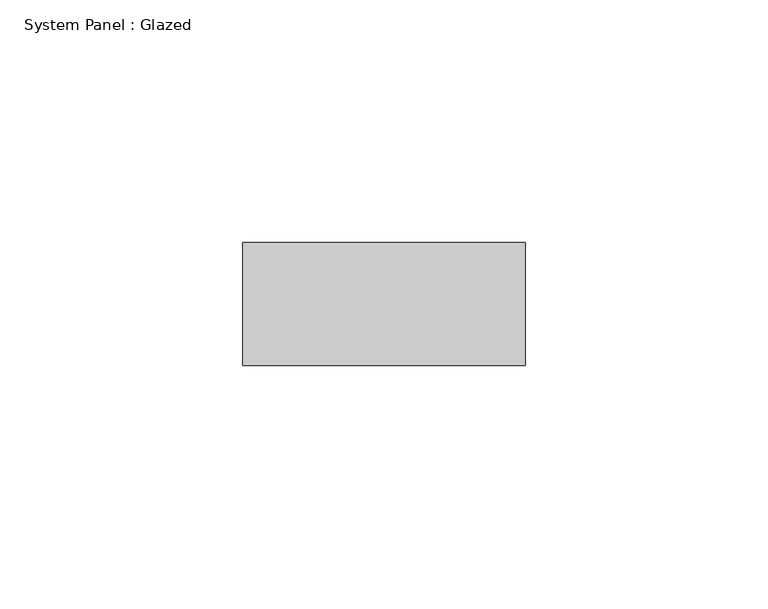
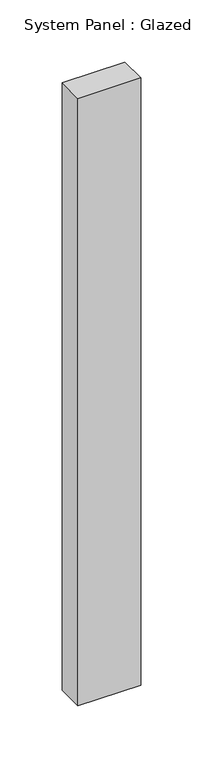
"""IFC4 building model written with IfcOpenShell, lengths in millimetres: plate geometry, System Panel : Glazed."""

import ifcopenshell
import ifcopenshell.guid

model = None  # the IFC model being written
_history = None  # IfcOwnerHistory: only IFC2X3 demands one
_inside = {}  # id of a spatial element -> (the spatial element, [elements in it])
_under = {}  # id of a project, library or spatial element -> (it, [spatial elements below it])
_declared = {}  # id of a project -> (the project, [libraries it declares])
_typed = {}  # id of a type object -> (the type object, [elements of that type])
_made_of = {}  # id of a material, layer set ... -> (it, [elements and type objects made of it])


def new_model(schema):
    """Start an empty IFC model of exactly this schema.

    Asked for "IFC4X3", IfcOpenShell would pick the latest addendum, in which some entities
    have other attributes; the version numbers below select the first issue.
    IFC2X3 requires an IfcOwnerHistory on every rooted entity: one is made here for all.
    """
    global model, _history
    if schema == "IFC4X3":
        model = ifcopenshell.file(schema_version=(4, 3, 0, 0))
    else:
        model = ifcopenshell.file(schema=schema)
    _inside.clear()
    _under.clear()
    _declared.clear()
    _typed.clear()
    _made_of.clear()
    _history = None
    if model.schema == "IFC2X3":
        org = make("IfcOrganization", Name="unknown")
        user = make(
            "IfcPersonAndOrganization",
            ThePerson=make("IfcPerson", FamilyName="unknown"),
            TheOrganization=org,
        )
        app = make(
            "IfcApplication",
            ApplicationDeveloper=org,
            Version="unknown",
            ApplicationFullName="unknown",
            ApplicationIdentifier="unknown",
        )
        _history = make(
            "IfcOwnerHistory",
            OwningUser=user,
            OwningApplication=app,
            ChangeAction="ADDED",
            CreationDate=0,
        )
    return model


def make(cls, **values):
    """One entity of the class cls with the attributes given. An attribute that is None is left unset."""
    return model.create_entity(
        cls, **{name: value for name, value in values.items() if value is not None}
    )


def rooted(cls, **values):
    """An entity with a GlobalId (a new one), such as an element, a storey or a relation."""
    return make(cls, GlobalId=ifcopenshell.guid.new(), OwnerHistory=_history, **values)


def si_unit(unit_type, name, prefix=None):
    """IfcSIUnit, for example si_unit("LENGTHUNIT", "METRE", prefix="MILLI")."""
    return make("IfcSIUnit", UnitType=unit_type, Prefix=prefix, Name=name)


def assignment(units):
    """IfcUnitAssignment: the units of a project."""
    return None if units is None else make("IfcUnitAssignment", Units=units)


def point(xyz):
    """IfcCartesianPoint."""
    return None if xyz is None else make("IfcCartesianPoint", Coordinates=xyz)


def direction(xyz):
    """IfcDirection."""
    return None if xyz is None else make("IfcDirection", DirectionRatios=xyz)


def frame(location, z_axis=None, x_axis=None):
    """IfcAxis2Placement3D, a coordinate frame: its origin and axes. An axis left out is left unset."""
    return make(
        "IfcAxis2Placement3D",
        Location=point(location),
        Axis=direction(z_axis),
        RefDirection=direction(x_axis),
    )


def origin():
    """The frame at (0, 0, 0) with its axes left unset."""
    return frame((0.0, 0.0, 0.0))


def origin_with_axes():
    """The frame at (0, 0, 0) with the z axis (0, 0, 1) and the x axis (1, 0, 0) written out."""
    return frame((0.0, 0.0, 0.0), z_axis=(0.0, 0.0, 1.0), x_axis=(1.0, 0.0, 0.0))


def place(relative_to, where):
    """IfcLocalPlacement: puts the frame where relative to a parent placement (None: the world)."""
    return make(
        "IfcLocalPlacement", PlacementRelTo=relative_to, RelativePlacement=where
    )


def context(
    kind, dimensions, precision=None, world=None, true_north=None, identifier=None
):
    """IfcGeometricRepresentationContext, for example the 3D "Model" context."""
    return make(
        "IfcGeometricRepresentationContext",
        ContextIdentifier=identifier,
        ContextType=kind,
        CoordinateSpaceDimension=dimensions,
        Precision=precision,
        WorldCoordinateSystem=world,
        TrueNorth=true_north,
    )


def project(units=None, contexts=None):
    """IfcProject with its units and contexts."""
    return rooted(
        "IfcProject",
        Name="project",
        RepresentationContexts=contexts,
        UnitsInContext=assignment(units),
    )


def spatial(cls, under=None, at=None, **own):
    """A site, building, storey or space (cls), placed at a placement, below another one or the project."""
    s = rooted(cls, ObjectPlacement=at, **own)
    if under is not None:
        _under.setdefault(under.id(), (under, []))[1].append(s)
    return s


def polyline(points):
    """IfcPolyline through the points."""
    return make("IfcPolyline", Points=[point(p) for p in points])


def outline(outer, holes=None, kind="AREA"):
    """IfcArbitraryClosedProfileDef: a profile drawn as a closed curve; with holes, ...WithVoids."""
    if holes is None:
        return make("IfcArbitraryClosedProfileDef", ProfileType=kind, OuterCurve=outer)
    return make(
        "IfcArbitraryProfileDefWithVoids",
        ProfileType=kind,
        OuterCurve=outer,
        InnerCurves=holes,
    )


def extrude(swept, where, along, depth):
    """IfcExtrudedAreaSolid: the profile swept, set in the frame where, extruded along a direction by depth."""
    return make(
        "IfcExtrudedAreaSolid",
        SweptArea=swept,
        Position=where,
        ExtrudedDirection=direction(along),
        Depth=depth,
    )


def shape(context_of_items, identifier, shape_type, items):
    """IfcShapeRepresentation: the items that make up one representation, for example the "Body"."""
    return make(
        "IfcShapeRepresentation",
        ContextOfItems=context_of_items,
        RepresentationIdentifier=identifier,
        RepresentationType=shape_type,
        Items=items,
    )


def source(mapping_origin, context_of_items, identifier, shape_type, items):
    """IfcRepresentationMap: a shape defined once, which mapped items show again and again."""
    return make(
        "IfcRepresentationMap",
        MappingOrigin=mapping_origin,
        MappedRepresentation=shape(context_of_items, identifier, shape_type, items),
    )


def transform(
    local_origin,
    x_axis=None,
    y_axis=None,
    z_axis=None,
    scale=None,
    scale2=None,
    scale3=None,
    uniform=True,
):
    """IfcCartesianTransformationOperator3D, or its non-uniform kind. x_axis, y_axis, z_axis: its Axis1, 2, 3."""
    if uniform:
        return make(
            "IfcCartesianTransformationOperator3D",
            Axis1=direction(x_axis),
            Axis2=direction(y_axis),
            LocalOrigin=point(local_origin),
            Scale=scale,
            Axis3=direction(z_axis),
        )
    return make(
        "IfcCartesianTransformationOperator3DnonUniform",
        Axis1=direction(x_axis),
        Axis2=direction(y_axis),
        LocalOrigin=point(local_origin),
        Scale=scale,
        Axis3=direction(z_axis),
        Scale2=scale2,
        Scale3=scale3,
    )


def mapped(mapping_source, mapping_target):
    """IfcMappedItem: shows the shape of a source again, moved by a transform."""
    return make(
        "IfcMappedItem", MappingSource=mapping_source, MappingTarget=mapping_target
    )


def made_of(thing, what):
    """Note that an element or type object is made of a material, layer set ...; save() writes the relation."""
    if what is not None:
        _made_of.setdefault(what.id(), (what, []))[1].append(thing)
    return thing


def element(
    cls,
    number,
    at=None,
    inside=None,
    cuts=None,
    type_object=None,
    material=None,
    context=None,
    identifier="Body",
    shape_type=None,
    held_by="IfcProductDefinitionShape",
    body=None,
    shapes=None,
    **own,
):
    """One element of the class cls, such as IfcWall. Its Tag is "e" and its number.

    at: its placement. inside: the storey or other place that contains it. cuts: it is an
    opening in that element (IfcRelVoidsElement). A single representation is given by context,
    identifier, shape_type and body (its items); several are given by shapes. held_by: the class
    of the entity that holds the representations. save() writes the other relations.
    """
    e = rooted(cls, Tag="e%d" % number, ObjectPlacement=at, **own)
    if body is not None:
        shapes = [shape(context, identifier, shape_type, body)]
    if shapes is not None:
        e.Representation = make(held_by, Representations=shapes)
    if inside is not None:
        _inside.setdefault(inside.id(), (inside, []))[1].append(e)
    if cuts is not None:
        rooted(
            "IfcRelVoidsElement", RelatingBuildingElement=cuts, RelatedOpeningElement=e
        )
    if type_object is not None:
        _typed.setdefault(type_object.id(), (type_object, []))[1].append(e)
    return made_of(e, material)


def aggregate(whole, parts):
    """IfcRelAggregates: a whole, such as a stair, and the parts it consists of."""
    return rooted("IfcRelAggregates", RelatingObject=whole, RelatedObjects=parts)


def save(model, path):
    """Write the relations noted so far, then the file.

    IfcRelAggregates (storeys below a building ...), IfcRelContainedInSpatialStructure (elements
    in a storey), IfcRelDefinesByType, IfcRelAssociatesMaterial and IfcRelDeclares: one each for
    every whole, place, type object, material and project.
    """
    for whole, parts in _under.values():
        aggregate(whole, parts)
    for where, things in _inside.values():
        rooted(
            "IfcRelContainedInSpatialStructure",
            RelatedElements=things,
            RelatingStructure=where,
        )
    for kind, things in _typed.values():
        rooted("IfcRelDefinesByType", RelatedObjects=things, RelatingType=kind)
    for what, things in _made_of.values():
        rooted("IfcRelAssociatesMaterial", RelatedObjects=things, RelatingMaterial=what)
    for by, libraries in _declared.values():
        rooted("IfcRelDeclares", RelatingContext=by, RelatedDefinitions=libraries)
    model.write(path)


def system_panel_glazed_ad3dab1a(model_context):
    return source(origin(), model_context, "Body", "SweptSolid", [
        extrude(outline(polyline([(29.1136342, 19.05), (-29.1136342, 19.05), (-29.1136342, 44.45), (29.1136342, 44.45), (29.1136342, 19.05)])), origin_with_axes(), (0.0, 0.0, 1.0), 596.9),
    ])


if __name__ == "__main__":
    model = new_model("IFC4")
    model_context = context("Model", 3, world=origin())
    ifc_project = project(units=[si_unit("LENGTHUNIT", "METRE", prefix="MILLI")], contexts=[model_context])
    site = spatial("IfcSite", under=ifc_project)
    building = spatial("IfcBuilding", under=site)
    placement = place(None, origin())
    system_panel_glazed_shape = system_panel_glazed_ad3dab1a(model_context)
    element("IfcPlate", 1, ObjectType="System Panel : Glazed", at=placement, inside=building, context=model_context, shape_type="MappedRepresentation", body=[
        mapped(system_panel_glazed_shape, transform((0.0, 0.0, 0.0), x_axis=(1.0, 0.0, 0.0), y_axis=(0.0, 1.0, 0.0), z_axis=(0.0, 0.0, 1.0))),
    ])
    save(model, "model.ifc")
